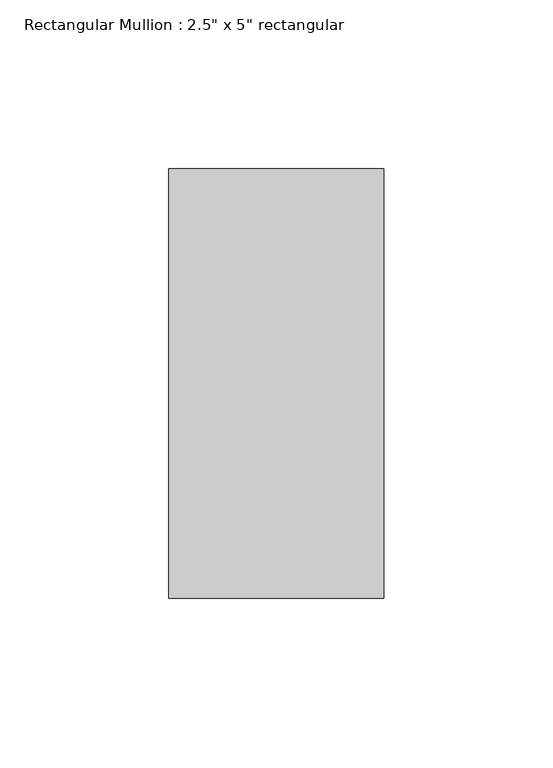
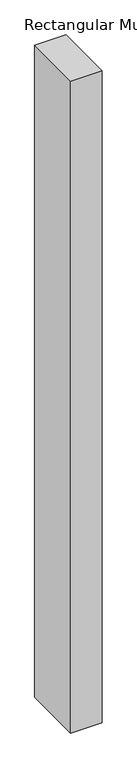
"""IFC4 building model written with IfcOpenShell, lengths in millimetres: member geometry."""

import ifcopenshell
import ifcopenshell.guid

model = None  # the IFC model being written
_history = None  # IfcOwnerHistory: only IFC2X3 demands one
_inside = {}  # id of a spatial element -> (the spatial element, [elements in it])
_under = {}  # id of a project, library or spatial element -> (it, [spatial elements below it])
_declared = {}  # id of a project -> (the project, [libraries it declares])
_typed = {}  # id of a type object -> (the type object, [elements of that type])
_made_of = {}  # id of a material, layer set ... -> (it, [elements and type objects made of it])


def new_model(schema):
    """Start an empty IFC model of exactly this schema.

    Asked for "IFC4X3", IfcOpenShell would pick the latest addendum, in which some entities
    have other attributes; the version numbers below select the first issue.
    IFC2X3 requires an IfcOwnerHistory on every rooted entity: one is made here for all.
    """
    global model, _history
    if schema == "IFC4X3":
        model = ifcopenshell.file(schema_version=(4, 3, 0, 0))
    else:
        model = ifcopenshell.file(schema=schema)
    _inside.clear()
    _under.clear()
    _declared.clear()
    _typed.clear()
    _made_of.clear()
    _history = None
    if model.schema == "IFC2X3":
        org = make("IfcOrganization", Name="unknown")
        user = make(
            "IfcPersonAndOrganization",
            ThePerson=make("IfcPerson", FamilyName="unknown"),
            TheOrganization=org,
        )
        app = make(
            "IfcApplication",
            ApplicationDeveloper=org,
            Version="unknown",
            ApplicationFullName="unknown",
            ApplicationIdentifier="unknown",
        )
        _history = make(
            "IfcOwnerHistory",
            OwningUser=user,
            OwningApplication=app,
            ChangeAction="ADDED",
            CreationDate=0,
        )
    return model


def make(cls, **values):
    """One entity of the class cls with the attributes given. An attribute that is None is left unset."""
    return model.create_entity(
        cls, **{name: value for name, value in values.items() if value is not None}
    )


def rooted(cls, **values):
    """An entity with a GlobalId (a new one), such as an element, a storey or a relation."""
    return make(cls, GlobalId=ifcopenshell.guid.new(), OwnerHistory=_history, **values)


def si_unit(unit_type, name, prefix=None):
    """IfcSIUnit, for example si_unit("LENGTHUNIT", "METRE", prefix="MILLI")."""
    return make("IfcSIUnit", UnitType=unit_type, Prefix=prefix, Name=name)


def assignment(units):
    """IfcUnitAssignment: the units of a project."""
    return None if units is None else make("IfcUnitAssignment", Units=units)


def point(xyz):
    """IfcCartesianPoint."""
    return None if xyz is None else make("IfcCartesianPoint", Coordinates=xyz)


def direction(xyz):
    """IfcDirection."""
    return None if xyz is None else make("IfcDirection", DirectionRatios=xyz)


def frame(location, z_axis=None, x_axis=None):
    """IfcAxis2Placement3D, a coordinate frame: its origin and axes. An axis left out is left unset."""
    return make(
        "IfcAxis2Placement3D",
        Location=point(location),
        Axis=direction(z_axis),
        RefDirection=direction(x_axis),
    )


def origin():
    """The frame at (0, 0, 0) with its axes left unset."""
    return frame((0.0, 0.0, 0.0))


def place(relative_to, where):
    """IfcLocalPlacement: puts the frame where relative to a parent placement (None: the world)."""
    return make(
        "IfcLocalPlacement", PlacementRelTo=relative_to, RelativePlacement=where
    )


def context(
    kind, dimensions, precision=None, world=None, true_north=None, identifier=None
):
    """IfcGeometricRepresentationContext, for example the 3D "Model" context."""
    return make(
        "IfcGeometricRepresentationContext",
        ContextIdentifier=identifier,
        ContextType=kind,
        CoordinateSpaceDimension=dimensions,
        Precision=precision,
        WorldCoordinateSystem=world,
        TrueNorth=true_north,
    )


def project(units=None, contexts=None):
    """IfcProject with its units and contexts."""
    return rooted(
        "IfcProject",
        Name="project",
        RepresentationContexts=contexts,
        UnitsInContext=assignment(units),
    )


def spatial(cls, under=None, at=None, **own):
    """A site, building, storey or space (cls), placed at a placement, below another one or the project."""
    s = rooted(cls, ObjectPlacement=at, **own)
    if under is not None:
        _under.setdefault(under.id(), (under, []))[1].append(s)
    return s


def polyline(points):
    """IfcPolyline through the points."""
    return make("IfcPolyline", Points=[point(p) for p in points])


def outline(outer, holes=None, kind="AREA"):
    """IfcArbitraryClosedProfileDef: a profile drawn as a closed curve; with holes, ...WithVoids."""
    if holes is None:
        return make("IfcArbitraryClosedProfileDef", ProfileType=kind, OuterCurve=outer)
    return make(
        "IfcArbitraryProfileDefWithVoids",
        ProfileType=kind,
        OuterCurve=outer,
        InnerCurves=holes,
    )


def extrude(swept, where, along, depth):
    """IfcExtrudedAreaSolid: the profile swept, set in the frame where, extruded along a direction by depth."""
    return make(
        "IfcExtrudedAreaSolid",
        SweptArea=swept,
        Position=where,
        ExtrudedDirection=direction(along),
        Depth=depth,
    )


def shape(context_of_items, identifier, shape_type, items):
    """IfcShapeRepresentation: the items that make up one representation, for example the "Body"."""
    return make(
        "IfcShapeRepresentation",
        ContextOfItems=context_of_items,
        RepresentationIdentifier=identifier,
        RepresentationType=shape_type,
        Items=items,
    )


def source(mapping_origin, context_of_items, identifier, shape_type, items):
    """IfcRepresentationMap: a shape defined once, which mapped items show again and again."""
    return make(
        "IfcRepresentationMap",
        MappingOrigin=mapping_origin,
        MappedRepresentation=shape(context_of_items, identifier, shape_type, items),
    )


def transform(
    local_origin,
    x_axis=None,
    y_axis=None,
    z_axis=None,
    scale=None,
    scale2=None,
    scale3=None,
    uniform=True,
):
    """IfcCartesianTransformationOperator3D, or its non-uniform kind. x_axis, y_axis, z_axis: its Axis1, 2, 3."""
    if uniform:
        return make(
            "IfcCartesianTransformationOperator3D",
            Axis1=direction(x_axis),
            Axis2=direction(y_axis),
            LocalOrigin=point(local_origin),
            Scale=scale,
            Axis3=direction(z_axis),
        )
    return make(
        "IfcCartesianTransformationOperator3DnonUniform",
        Axis1=direction(x_axis),
        Axis2=direction(y_axis),
        LocalOrigin=point(local_origin),
        Scale=scale,
        Axis3=direction(z_axis),
        Scale2=scale2,
        Scale3=scale3,
    )


def mapped(mapping_source, mapping_target):
    """IfcMappedItem: shows the shape of a source again, moved by a transform."""
    return make(
        "IfcMappedItem", MappingSource=mapping_source, MappingTarget=mapping_target
    )


def made_of(thing, what):
    """Note that an element or type object is made of a material, layer set ...; save() writes the relation."""
    if what is not None:
        _made_of.setdefault(what.id(), (what, []))[1].append(thing)
    return thing


def element(
    cls,
    number,
    at=None,
    inside=None,
    cuts=None,
    type_object=None,
    material=None,
    context=None,
    identifier="Body",
    shape_type=None,
    held_by="IfcProductDefinitionShape",
    body=None,
    shapes=None,
    **own,
):
    """One element of the class cls, such as IfcWall. Its Tag is "e" and its number.

    at: its placement. inside: the storey or other place that contains it. cuts: it is an
    opening in that element (IfcRelVoidsElement). A single representation is given by context,
    identifier, shape_type and body (its items); several are given by shapes. held_by: the class
    of the entity that holds the representations. save() writes the other relations.
    """
    e = rooted(cls, Tag="e%d" % number, ObjectPlacement=at, **own)
    if body is not None:
        shapes = [shape(context, identifier, shape_type, body)]
    if shapes is not None:
        e.Representation = make(held_by, Representations=shapes)
    if inside is not None:
        _inside.setdefault(inside.id(), (inside, []))[1].append(e)
    if cuts is not None:
        rooted(
            "IfcRelVoidsElement", RelatingBuildingElement=cuts, RelatedOpeningElement=e
        )
    if type_object is not None:
        _typed.setdefault(type_object.id(), (type_object, []))[1].append(e)
    return made_of(e, material)


def aggregate(whole, parts):
    """IfcRelAggregates: a whole, such as a stair, and the parts it consists of."""
    return rooted("IfcRelAggregates", RelatingObject=whole, RelatedObjects=parts)


def save(model, path):
    """Write the relations noted so far, then the file.

    IfcRelAggregates (storeys below a building ...), IfcRelContainedInSpatialStructure (elements
    in a storey), IfcRelDefinesByType, IfcRelAssociatesMaterial and IfcRelDeclares: one each for
    every whole, place, type object, material and project.
    """
    for whole, parts in _under.values():
        aggregate(whole, parts)
    for where, things in _inside.values():
        rooted(
            "IfcRelContainedInSpatialStructure",
            RelatedElements=things,
            RelatingStructure=where,
        )
    for kind, things in _typed.values():
        rooted("IfcRelDefinesByType", RelatedObjects=things, RelatingType=kind)
    for what, things in _made_of.values():
        rooted("IfcRelAssociatesMaterial", RelatedObjects=things, RelatingMaterial=what)
    for by, libraries in _declared.values():
        rooted("IfcRelDeclares", RelatingContext=by, RelatedDefinitions=libraries)
    model.write(path)


def member_bd45f99a(model_context):
    return source(origin(), model_context, "Body", "SweptSolid", [
        extrude(outline(polyline([(31.75, 63.5), (31.75, -63.5), (-31.75, -63.5), (-31.75, 63.5), (31.75, 63.5)])), frame((0.0, 0.0, -1401.2333333), z_axis=(0.0, 0.0, 1.0), x_axis=(1.0, 0.0, 0.0)), (0.0, 0.0, 1.0), 1401.2333333),
    ])


if __name__ == "__main__":
    model = new_model("IFC4")
    model_context = context("Model", 3, world=origin())
    ifc_project = project(units=[si_unit("LENGTHUNIT", "METRE", prefix="MILLI")], contexts=[model_context])
    site = spatial("IfcSite", under=ifc_project)
    building = spatial("IfcBuilding", under=site)
    placement = place(None, origin())
    member_shape = member_bd45f99a(model_context)
    element("IfcMember", 1, ObjectType="Rectangular Mullion : 2.5\" x 5\" rectangular", at=placement, inside=building, context=model_context, shape_type="MappedRepresentation", body=[
        mapped(member_shape, transform((0.0, 0.0, 0.0), x_axis=(1.0, 0.0, 0.0), y_axis=(0.0, 1.0, 0.0), z_axis=(0.0, 0.0, 1.0))),
    ])
    save(model, "model.ifc")
